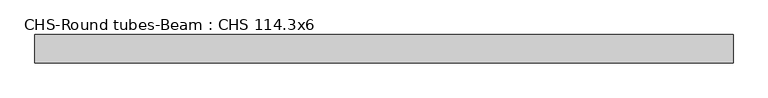
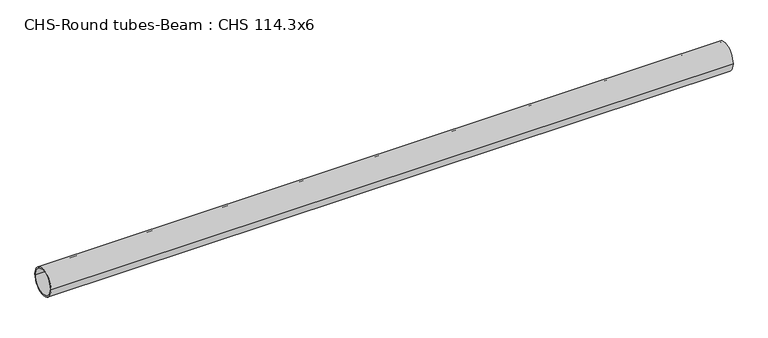
"""IFC4 building model written with IfcOpenShell, lengths in millimetres: beam geometry, CHS-Round tubes-Beam : CHS 114.3x6."""

from ifc_helpers import new_model, si_unit, point, frame, origin, origin_2d, place, context, project, spatial, circle_curve, trimmed, segment, composite_curve, outline, extrude, source, transform, mapped, element, save


def chs_round_tubes_beam_chs_114_3x6_b27d1fb0(model_context):
    return source(origin(), model_context, "Body", "SweptSolid", [
        extrude(outline(composite_curve([segment(trimmed(circle_curve(origin_2d(), 57.15), [point((57.15, 0.0))], [point((-57.15, 0.0))], False, "CARTESIAN"), True, "CONTINUOUS"), segment(trimmed(circle_curve(origin_2d(), 57.15), [point((-57.15, 0.0))], [point((57.15, 0.0))], False, "CARTESIAN"), True, "CONTINUOUS")], self_intersect=False), holes=[composite_curve([segment(trimmed(circle_curve(origin_2d(), 51.15), [point((51.15, 0.0))], [point((-51.15, 0.0))], True, "CARTESIAN"), True, "CONTINUOUS"), segment(trimmed(circle_curve(origin_2d(), 51.15), [point((-51.15, 0.0))], [point((51.15, 0.0))], True, "CARTESIAN"), True, "CONTINUOUS")], self_intersect=False)]), frame((-1388.6147397, 0.0, 0.0), z_axis=(1.0, 0.0, 0.0), x_axis=(0.0, 1.0, 0.0)), (0.0, 0.0, 1.0), 2810.0944637),
    ])


if __name__ == "__main__":
    model = new_model("IFC4")
    model_context = context("Model", 3, world=origin())
    ifc_project = project(units=[si_unit("LENGTHUNIT", "METRE", prefix="MILLI")], contexts=[model_context])
    site = spatial("IfcSite", under=ifc_project)
    building = spatial("IfcBuilding", under=site)
    placement = place(None, origin())
    chs_round_tubes_beam_chs_114_3x6_shape = chs_round_tubes_beam_chs_114_3x6_b27d1fb0(model_context)
    element("IfcBeam", 1, ObjectType="CHS-Round tubes-Beam : CHS 114.3x6", at=placement, inside=building, context=model_context, shape_type="MappedRepresentation", body=[
        mapped(chs_round_tubes_beam_chs_114_3x6_shape, transform((0.0, 0.0, 0.0), x_axis=(1.0, 0.0, 0.0), y_axis=(0.0, 1.0, 0.0), z_axis=(0.0, 0.0, 1.0))),
    ])
    save(model, "model.ifc")
